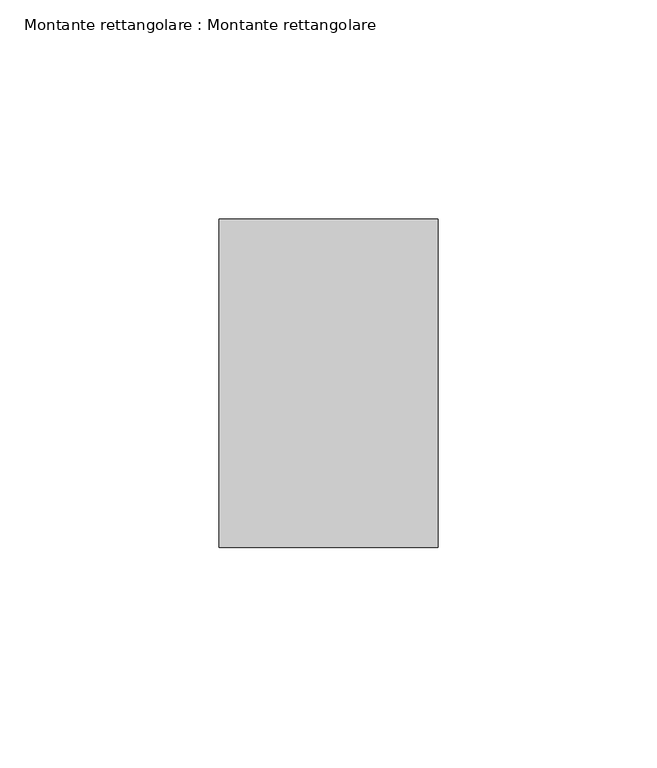
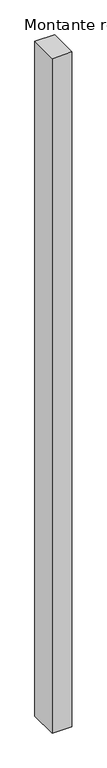
"""IFC4 building model written with IfcOpenShell, lengths in millimetres: member geometry, Montante rettangolare : Montante rettangolare."""

from ifc_helpers import new_model, si_unit, frame, origin, place, context, project, spatial, polyline, outline, extrude, source, transform, mapped, element, save


def montante_rettangolare_montante_rettangolare_9d8c9d05(model_context):
    return source(origin(), model_context, "Body", "SweptSolid", [
        extrude(outline(polyline([(25.0, 37.5), (25.0, -37.5), (-25.0, -37.5), (-25.0, 37.5), (25.0, 37.5)])), frame((0.0, 0.0, -1800.0000003), z_axis=(0.0, 0.0, 1.0), x_axis=(1.0, 0.0, 0.0)), (0.0, 0.0, 1.0), 1800.0000003),
    ])


if __name__ == "__main__":
    model = new_model("IFC4")
    model_context = context("Model", 3, world=origin())
    ifc_project = project(units=[si_unit("LENGTHUNIT", "METRE", prefix="MILLI")], contexts=[model_context])
    site = spatial("IfcSite", under=ifc_project)
    building = spatial("IfcBuilding", under=site)
    placement = place(None, origin())
    montante_rettangolare_montante_rettangolare_shape = montante_rettangolare_montante_rettangolare_9d8c9d05(model_context)
    element("IfcMember", 1, ObjectType="Montante rettangolare : Montante rettangolare", at=placement, inside=building, context=model_context, shape_type="MappedRepresentation", body=[
        mapped(montante_rettangolare_montante_rettangolare_shape, transform((0.0, 0.0, 0.0), x_axis=(1.0, 0.0, 0.0), y_axis=(0.0, 1.0, 0.0), z_axis=(0.0, 0.0, 1.0))),
    ])
    save(model, "model.ifc")
